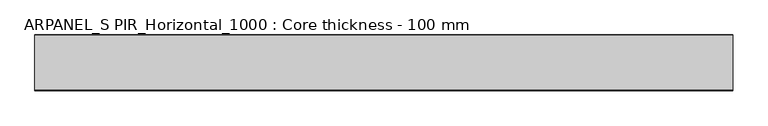
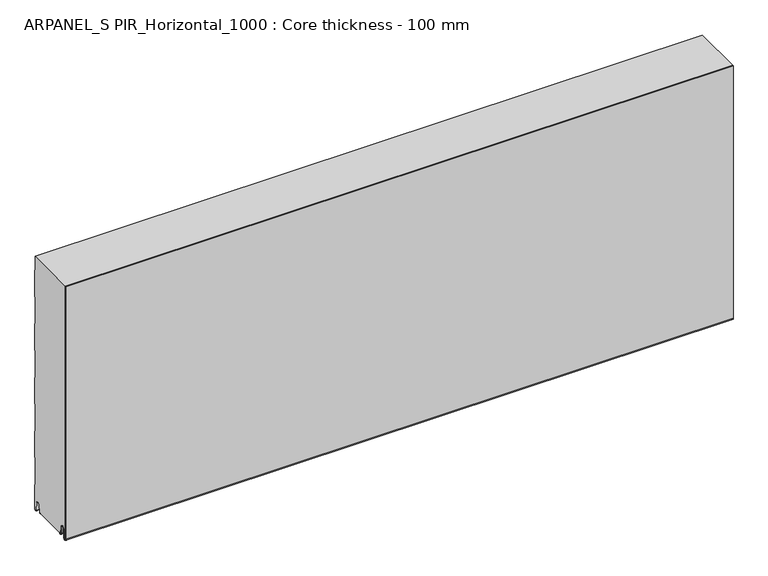
"""IFC4 building model written with IfcOpenShell, lengths in millimetres: plate geometry, ARPANEL_S PIR_Horizontal_1000 : Core thickness - 100 mm."""

from ifc_helpers import new_model, si_unit, frame, origin, place, context, project, spatial, polyline, circle_curve, source, transform, mapped, element, save
from ifc_brep_helpers import plane_surface, cylinder_surface, revolved_surface, advanced_brep


def arpanel_s_pir_horizontal_1000_core_thickness_100_mm_990e5986(model_context):
    return source(origin(), model_context, "Body", "AdvancedBrep", [
        advanced_brep(
        [(620.0, -99.9996949, 3.0900682), (620.0, -93.81449, 2.7875612), (620.0, -92.197116, 19.2828169), (620.0, -89.1776715, 21.9898782), (620.0, -86.1582271, 19.2828169), (620.0, -84.7725998, 5.1510966), (620.0, -80.3830995, 5.365779), (620.0, -81.1830995, 5.365779), (620.0, -83.9764178, 5.2291629), (620.0, -85.3620451, 19.3608832), (620.0, -89.1776715, 22.7899182), (620.0, -92.9932979, 19.3608832), (620.0, -94.6106719, 2.8656275), (620.0, -99.1996949, 3.0900682), (620.0, -99.2, 500.0), (620.0, -99.9996949, 500.0), (-620.0, -99.1996949, 3.0900682), (-620.0, -94.6106719, 2.8656275), (-620.0, -92.9932979, 19.3608832), (-620.0, -89.1776715, 22.7899182), (-620.0, -85.3620451, 19.3608832), (-620.0, -83.9764178, 5.2291629), (-620.0, -81.1830995, 5.365779), (-620.0, -80.3830995, 5.365779), (-620.0, -84.7725998, 5.1510966), (-620.0, -86.1582271, 19.2828169), (-620.0, -89.1776715, 21.9898782), (-620.0, -92.197116, 19.2828169), (-620.0, -93.81449, 2.7875612), (-620.0, -99.9996949, 3.0900682), (-620.0, -99.9996949, 500.0), (-620.0, -99.2, 500.0)],
        [
            (0, 1, circle_curve(frame((620.0, -96.8996949, 3.0900682), z_axis=(1.0, 0.0, 0.0), x_axis=(0.0, 0.0, -1.0)), 3.1)),
            (1, 2),
            (2, 3, circle_curve(frame((620.0, -89.2114338, 18.9900682), z_axis=(-1.0, 0.0, 0.0), x_axis=(0.0, 0.0, -1.0)), 3.0)),
            (3, 4, circle_curve(frame((620.0, -89.1439093, 18.9900682), z_axis=(-1.0, 0.0, 0.0), x_axis=(0.0, 0.0, -1.0)), 3.0)),
            (4, 5),
            (5, 6, circle_curve(frame((620.0, -82.5830995, 5.365779), z_axis=(1.0, 0.0, 0.0), x_axis=(0.0, 0.0, -1.0)), 2.2)),
            (6, 7),
            (7, 8, circle_curve(frame((620.0, -82.5830995, 5.365779), z_axis=(-1.0, 0.0, 0.0), x_axis=(0.0, 0.0, -1.0)), 1.4)),
            (8, 9),
            (9, 10, circle_curve(frame((620.0, -89.1439093, 18.9900682), z_axis=(1.0, 0.0, 0.0), x_axis=(0.0, 0.0, -1.0)), 3.8)),
            (10, 11, circle_curve(frame((620.0, -89.2114338, 18.9900682), z_axis=(1.0, 0.0, 0.0), x_axis=(0.0, 0.0, -1.0)), 3.8)),
            (11, 12),
            (12, 13, circle_curve(frame((620.0, -96.8996949, 3.0900682), z_axis=(-1.0, 0.0, 0.0), x_axis=(0.0, 0.0, -1.0)), 2.3)),
            (13, 14),
            (14, 15),
            (15, 0),
            (16, 17, circle_curve(frame((-620.0, -96.8996949, 3.0900682), z_axis=(1.0, 0.0, 0.0), x_axis=(0.0, 0.0, -1.0)), 2.3)),
            (17, 18),
            (18, 19, circle_curve(frame((-620.0, -89.2114338, 18.9900682), z_axis=(-1.0, 0.0, 0.0), x_axis=(0.0, 0.0, -1.0)), 3.8)),
            (19, 20, circle_curve(frame((-620.0, -89.1439093, 18.9900682), z_axis=(-1.0, 0.0, 0.0), x_axis=(0.0, 0.0, -1.0)), 3.8)),
            (20, 21),
            (21, 22, circle_curve(frame((-620.0, -82.5830995, 5.365779), z_axis=(1.0, 0.0, 0.0), x_axis=(0.0, 0.0, -1.0)), 1.4)),
            (22, 23),
            (23, 24, circle_curve(frame((-620.0, -82.5830995, 5.365779), z_axis=(-1.0, 0.0, 0.0), x_axis=(0.0, 0.0, -1.0)), 2.2)),
            (24, 25),
            (25, 26, circle_curve(frame((-620.0, -89.1439093, 18.9900682), z_axis=(1.0, 0.0, 0.0), x_axis=(0.0, 0.0, -1.0)), 3.0)),
            (26, 27, circle_curve(frame((-620.0, -89.2114338, 18.9900682), z_axis=(1.0, 0.0, 0.0), x_axis=(0.0, 0.0, -1.0)), 3.0)),
            (27, 28),
            (28, 29, circle_curve(frame((-620.0, -96.8996949, 3.0900682), z_axis=(-1.0, 0.0, 0.0), x_axis=(0.0, 0.0, -1.0)), 3.1)),
            (29, 30),
            (30, 31),
            (31, 16),
            (13, 16),
            (31, 14),
            (12, 17),
            (11, 18),
            (10, 19),
            (9, 20),
            (8, 21),
            (7, 22),
            (6, 23),
            (5, 24),
            (4, 25),
            (3, 26),
            (2, 27),
            (1, 28),
            (0, 29),
            (15, 30),
        ],
        [
            plane_surface(frame((620.0, -100.0, 0.0), z_axis=(1.0, 0.0, 0.0), x_axis=(0.0, 1.0, 0.0))),
            plane_surface(frame((-620.0, -100.0, 0.0), z_axis=(-1.0, 0.0, 0.0), x_axis=(0.0, 1.0, 0.0))),
            plane_surface(frame((620.0, -99.2, 3.0900682), z_axis=(0.0, 1.0, 0.0), x_axis=(-1.0, 0.0, 0.0))),
            revolved_surface(polyline([(-620.0, -96.8996949, 0.7900682000000003), (620.0, -96.8996949, 0.7900682000000003)]), (620.0, -96.8996949, 3.0900682), (-1.0, 0.0, 0.0)),
            plane_surface(frame((620.0, -92.9932979, 19.3608832), z_axis=(0.0, -0.9952273999818314, 0.09758289975914787), x_axis=(-1.0, 0.0, 0.0))),
            cylinder_surface(frame((620.0, -89.2114338, 18.9900682), z_axis=(1.0, 0.0, 0.0), x_axis=(0.0, 0.0, -1.0)), 3.8),
            cylinder_surface(frame((620.0, -89.1439093, 18.9900682), z_axis=(1.0, 0.0, 0.0), x_axis=(0.0, 0.0, -1.0)), 3.8),
            plane_surface(frame((620.0, -83.9764178, 5.2291629), z_axis=(0.0, 0.9952273999818297, 0.09758289975916531), x_axis=(-1.0, 0.0, 0.0))),
            revolved_surface(polyline([(-620.0, -82.5830995, 3.965779), (620.0, -82.5830995, 3.965779)]), (620.0, -82.5830995, 5.365779), (-1.0, 0.0, 0.0)),
            plane_surface(frame((620.0, -80.3830995, 5.365779), z_axis=(0.0, 0.0, 1.0), x_axis=(-1.0, 0.0, 0.0))),
            cylinder_surface(frame((620.0, -82.5830995, 5.365779), z_axis=(1.0, 0.0, 0.0), x_axis=(0.0, 0.0, -1.0)), 2.2),
            plane_surface(frame((620.0, -86.1582271, 19.2828169), z_axis=(0.0, -0.9952273999818296, -0.09758289975916527), x_axis=(-1.0, 0.0, 0.0))),
            revolved_surface(polyline([(-620.0, -89.1439093, 15.9900682), (620.0, -89.1439093, 15.9900682)]), (620.0, -89.1439093, 18.9900682), (-1.0, 0.0, 0.0)),
            revolved_surface(polyline([(-620.0, -89.2114338, 15.9900682), (620.0, -89.2114338, 15.9900682)]), (620.0, -89.2114338, 18.9900682), (-1.0, 0.0, 0.0)),
            plane_surface(frame((620.0, -93.81449, 2.7875612), z_axis=(0.0, 0.9952273999818314, -0.09758289975914787), x_axis=(-1.0, 0.0, 0.0))),
            cylinder_surface(frame((620.0, -96.8996949, 3.0900682), z_axis=(1.0, 0.0, 0.0), x_axis=(0.0, 0.0, -1.0)), 3.1),
            plane_surface(frame((620.0, -99.9996949, 993.9000005), z_axis=(0.0, -1.0, 0.0), x_axis=(-1.0, 0.0, 0.0))),
            plane_surface(frame((-620.0, 134.0533409, 500.0), z_axis=(0.0, 0.0, 1.0), x_axis=(1.0, 0.0, 0.0))),
        ],
        [
            (0, [[1, 2, 3, 4, 5, 6, 7, 8, 9, 10, 11, 12, 13, 14, 15, 16]]),
            (1, [[17, 18, 19, 20, 21, 22, 23, 24, 25, 26, 27, 28, 29, 30, 31, 32]]),
            (2, [[33, -32, 34, -14]]),
            (3, [[-13, 35, -17, -33]]),
            (4, [[-12, 36, -18, -35]]),
            (5, [[-11, 37, -19, -36]]),
            (6, [[-10, 38, -20, -37]]),
            (7, [[-9, 39, -21, -38]]),
            (8, [[-8, 40, -22, -39]]),
            (9, [[-7, 41, -23, -40]]),
            (10, [[-6, 42, -24, -41]]),
            (11, [[-5, 43, -25, -42]]),
            (12, [[-4, 44, -26, -43]]),
            (13, [[-3, 45, -27, -44]]),
            (14, [[-2, 46, -28, -45]]),
            (15, [[-1, 47, -29, -46]]),
            (16, [[-47, -16, 48, -30]]),
            (17, [[-15, -34, -31, -48]]),
        ],
    ),
        advanced_brep(
        [(620.0, -19.3897461, 4.3921875), (620.0, -19.6169005, 5.365779), (620.0, -18.8169005, 5.365779), (620.0, -16.0235822, 5.2291629), (620.0, -14.6379549, 19.3608832), (620.0, -10.8223285, 22.7899182), (620.0, -7.0067021, 19.3608832), (620.0, -5.3893281, 2.8656275), (620.0, -0.8003051, 3.0900682), (620.0, -0.8, 49.9459237), (620.0, -1.0986697, 50.9973395), (620.0, -1.5003051, 52.4177205), (620.0, -1.5003051, 102.5775037), (620.0, -1.0971009, 103.9969151), (620.0, -0.8, 105.0493005), (620.0, -0.8, 155.2090837), (620.0, -1.0986697, 156.2604995), (620.0, -1.5003051, 157.6808805), (620.0, -1.5003051, 207.8406637), (620.0, -1.0971009, 209.2600751), (620.0, -0.8, 210.3124605), (620.0, -0.8, 260.4722437), (620.0, -1.0986697, 261.5236595), (620.0, -1.5003051, 262.9440405), (620.0, -1.5003051, 313.1038237), (620.0, -1.0971009, 314.5232351), (620.0, -0.8, 315.5756205), (620.0, -0.8, 365.7354037), (620.0, -1.0986697, 366.7868195), (620.0, -1.5003051, 368.2072005), (620.0, -1.5003051, 418.3669837), (620.0, -1.0971009, 419.7863951), (620.0, -0.8, 420.8387805), (620.0, -0.8, 470.9985637), (620.0, -1.0986697, 472.0499795), (620.0, -1.5003051, 473.4703605), (620.0, -1.5003051, 500.0), (620.0, -99.2, 500.0), (620.0, -99.2, 3.0900682), (620.0, -94.6106719, 2.8656275), (620.0, -92.9932979, 19.3608832), (620.0, -89.1776715, 22.7899182), (620.0, -85.3620451, 19.3608832), (620.0, -83.9764178, 5.2291629), (620.0, -81.1830995, 5.365779), (620.0, -80.3830995, 5.365779), (620.0, -80.6102539, 4.3921875), (-620.0, -19.6169005, 5.365779), (-620.0, -19.3897461, 4.3921875), (-620.0, -80.6102539, 4.3921875), (-620.0, -80.3830995, 5.365779), (-620.0, -81.1830995, 5.365779), (-620.0, -81.5446132, 4.4268721), (-620.0, -83.9764178, 5.2291629), (-620.0, -85.3620451, 19.3608832), (-620.0, -89.1776715, 22.7899182), (-620.0, -92.9932979, 19.3608832), (-620.0, -94.6106719, 2.8656275), (-620.0, -99.1996949, 3.0900682), (-620.0, -99.2, 500.0), (-620.0, -1.5003051, 500.0), (-620.0, -1.5003051, 473.4703605), (-620.0, -1.0971009, 472.0509491), (-620.0, -0.8, 470.9985637), (-620.0, -0.8, 420.8387805), (-620.0, -1.0986697, 419.7873646), (-620.0, -1.5003051, 418.3669837), (-620.0, -1.5003051, 368.2072005), (-620.0, -1.0971009, 366.7877891), (-620.0, -0.8, 365.7354037), (-620.0, -0.8, 315.5756205), (-620.0, -1.0986697, 314.5242046), (-620.0, -1.5003051, 313.1038237), (-620.0, -1.5003051, 262.9440405), (-620.0, -1.0971009, 261.5246291), (-620.0, -0.8, 260.4722437), (-620.0, -0.8, 210.3124605), (-620.0, -1.0986697, 209.2610446), (-620.0, -1.5003051, 207.8406637), (-620.0, -1.5003051, 157.6808805), (-620.0, -1.0971009, 156.2614691), (-620.0, -0.8, 155.2090837), (-620.0, -0.8, 105.0493005), (-620.0, -1.0986697, 103.9978846), (-620.0, -1.5003051, 102.5775037), (-620.0, -1.5003051, 52.4177205), (-620.0, -1.0971009, 50.9983091), (-620.0, -0.8, 49.9459237), (-620.0, -0.8, 3.0900682), (-620.0, -5.3893281, 2.8656275), (-620.0, -7.0067021, 19.3608832), (-620.0, -10.8223285, 22.7899182), (-620.0, -14.6379549, 19.3608832), (-620.0, -16.0235822, 5.2291629), (-620.0, -18.4553868, 4.4268721), (-620.0, -18.8169005, 5.365779)],
        [
            (0, 1, circle_curve(frame((620.0, -17.4169005, 5.365779), z_axis=(-1.0, 0.0, 0.0), x_axis=(0.0, 0.0, -1.0)), 2.2)),
            (1, 2),
            (2, 3, circle_curve(frame((620.0, -17.4169005, 5.365779), z_axis=(1.0, 0.0, 0.0), x_axis=(0.0, 0.0, -1.0)), 1.4)),
            (3, 4),
            (4, 5, circle_curve(frame((620.0, -10.8560907, 18.9900682), z_axis=(-1.0, 0.0, 0.0), x_axis=(0.0, 0.0, -1.0)), 3.8)),
            (5, 6, circle_curve(frame((620.0, -10.7885662, 18.9900682), z_axis=(-1.0, 0.0, 0.0), x_axis=(0.0, 0.0, -1.0)), 3.8)),
            (6, 7),
            (7, 8, circle_curve(frame((620.0, -3.1003051, 3.0900682), z_axis=(1.0, 0.0, 0.0), x_axis=(0.0, 0.0, -1.0)), 2.3)),
            (8, 9),
            (9, 10, circle_curve(frame((620.0, -2.8, 49.9459237), z_axis=(1.0, 0.0, 0.0), x_axis=(0.0, 0.0, -1.0)), 2.0)),
            (10, 11, circle_curve(frame((620.0, 1.1996949, 52.4177205), z_axis=(-1.0, 0.0, 0.0), x_axis=(0.0, 0.0, -1.0)), 2.7)),
            (11, 12),
            (12, 13, circle_curve(frame((620.0, 1.1996949, 102.5775037), z_axis=(-1.0, 0.0, 0.0), x_axis=(0.0, 0.0, -1.0)), 2.7)),
            (13, 14, circle_curve(frame((620.0, -2.8, 105.0493005), z_axis=(1.0, 0.0, 0.0), x_axis=(0.0, 0.0, -1.0)), 2.0)),
            (14, 15),
            (15, 16, circle_curve(frame((620.0, -2.8, 155.2090837), z_axis=(1.0, 0.0, 0.0), x_axis=(0.0, 0.0, -1.0)), 2.0)),
            (16, 17, circle_curve(frame((620.0, 1.1996949, 157.6808805), z_axis=(-1.0, 0.0, 0.0), x_axis=(0.0, 0.0, -1.0)), 2.7)),
            (17, 18),
            (18, 19, circle_curve(frame((620.0, 1.1996949, 207.8406637), z_axis=(-1.0, 0.0, 0.0), x_axis=(0.0, 0.0, -1.0)), 2.7)),
            (19, 20, circle_curve(frame((620.0, -2.8, 210.3124605), z_axis=(1.0, 0.0, 0.0), x_axis=(0.0, 0.0, -1.0)), 2.0)),
            (20, 21),
            (21, 22, circle_curve(frame((620.0, -2.8, 260.4722437), z_axis=(1.0, 0.0, 0.0), x_axis=(0.0, 0.0, -1.0)), 2.0)),
            (22, 23, circle_curve(frame((620.0, 1.1996949, 262.9440405), z_axis=(-1.0, 0.0, 0.0), x_axis=(0.0, 0.0, -1.0)), 2.7)),
            (23, 24),
            (24, 25, circle_curve(frame((620.0, 1.1996949, 313.1038237), z_axis=(-1.0, 0.0, 0.0), x_axis=(0.0, 0.0, -1.0)), 2.7)),
            (25, 26, circle_curve(frame((620.0, -2.8, 315.5756205), z_axis=(1.0, 0.0, 0.0), x_axis=(0.0, 0.0, -1.0)), 2.0)),
            (26, 27),
            (27, 28, circle_curve(frame((620.0, -2.8, 365.7354037), z_axis=(1.0, 0.0, 0.0), x_axis=(0.0, 0.0, -1.0)), 2.0)),
            (28, 29, circle_curve(frame((620.0, 1.1996949, 368.2072005), z_axis=(-1.0, 0.0, 0.0), x_axis=(0.0, 0.0, -1.0)), 2.7)),
            (29, 30),
            (30, 31, circle_curve(frame((620.0, 1.1996949, 418.3669837), z_axis=(-1.0, 0.0, 0.0), x_axis=(0.0, 0.0, -1.0)), 2.7)),
            (31, 32, circle_curve(frame((620.0, -2.8, 420.8387805), z_axis=(1.0, 0.0, 0.0), x_axis=(0.0, 0.0, -1.0)), 2.0)),
            (32, 33),
            (33, 34, circle_curve(frame((620.0, -2.8, 470.9985637), z_axis=(1.0, 0.0, 0.0), x_axis=(0.0, 0.0, -1.0)), 2.0)),
            (34, 35, circle_curve(frame((620.0, 1.1996949, 473.4703605), z_axis=(-1.0, 0.0, 0.0), x_axis=(0.0, 0.0, -1.0)), 2.7)),
            (35, 36),
            (36, 37),
            (37, 38),
            (38, 39, circle_curve(frame((620.0, -96.8996949, 3.0900682), z_axis=(1.0, 0.0, 0.0), x_axis=(0.0, 0.0, -1.0)), 2.3)),
            (39, 40),
            (40, 41, circle_curve(frame((620.0, -89.2114338, 18.9900682), z_axis=(-1.0, 0.0, 0.0), x_axis=(0.0, 0.0, -1.0)), 3.8)),
            (41, 42, circle_curve(frame((620.0, -89.1439093, 18.9900682), z_axis=(-1.0, 0.0, 0.0), x_axis=(0.0, 0.0, -1.0)), 3.8)),
            (42, 43),
            (43, 44, circle_curve(frame((620.0, -82.5830995, 5.365779), z_axis=(1.0, 0.0, 0.0), x_axis=(0.0, 0.0, -1.0)), 1.4)),
            (44, 45),
            (45, 46, circle_curve(frame((620.0, -82.5830995, 5.365779), z_axis=(-1.0, 0.0, 0.0), x_axis=(0.0, 0.0, -1.0)), 2.2)),
            (46, 0),
            (47, 48, circle_curve(frame((-620.0, -17.4169005, 5.365779), z_axis=(1.0, 0.0, 0.0), x_axis=(0.0, 0.0, -1.0)), 2.2)),
            (48, 49),
            (49, 50, circle_curve(frame((-620.0, -82.5830995, 5.365779), z_axis=(1.0, 0.0, 0.0), x_axis=(0.0, 0.0, -1.0)), 2.2)),
            (50, 51),
            (51, 52, circle_curve(frame((-620.0, -82.5830995, 5.365779), z_axis=(-1.0, 0.0, 0.0), x_axis=(0.0, 0.0, -1.0)), 1.4)),
            (52, 53, circle_curve(frame((-620.0, -82.5830995, 5.365779), z_axis=(-1.0, 0.0, 0.0), x_axis=(0.0, 0.0, -1.0)), 1.4)),
            (53, 54),
            (54, 55, circle_curve(frame((-620.0, -89.1439093, 18.9900682), z_axis=(1.0, 0.0, 0.0), x_axis=(0.0, 0.0, -1.0)), 3.8)),
            (55, 56, circle_curve(frame((-620.0, -89.2114338, 18.9900682), z_axis=(1.0, 0.0, 0.0), x_axis=(0.0, 0.0, -1.0)), 3.8)),
            (56, 57),
            (57, 58, circle_curve(frame((-620.0, -96.8996949, 3.0900682), z_axis=(-1.0, 0.0, 0.0), x_axis=(0.0, 0.0, -1.0)), 2.3)),
            (58, 59),
            (59, 60),
            (60, 61),
            (61, 62, circle_curve(frame((-620.0, 1.1996949, 473.4703605), z_axis=(1.0, 0.0, 0.0), x_axis=(0.0, 0.0, -1.0)), 2.7)),
            (62, 63, circle_curve(frame((-620.0, -2.8, 470.9985637), z_axis=(-1.0, 0.0, 0.0), x_axis=(0.0, 0.0, -1.0)), 2.0)),
            (63, 64),
            (64, 65, circle_curve(frame((-620.0, -2.8, 420.8387805), z_axis=(-1.0, 0.0, 0.0), x_axis=(0.0, 0.0, -1.0)), 2.0)),
            (65, 66, circle_curve(frame((-620.0, 1.1996949, 418.3669837), z_axis=(1.0, 0.0, 0.0), x_axis=(0.0, 0.0, -1.0)), 2.7)),
            (66, 67),
            (67, 68, circle_curve(frame((-620.0, 1.1996949, 368.2072005), z_axis=(1.0, 0.0, 0.0), x_axis=(0.0, 0.0, -1.0)), 2.7)),
            (68, 69, circle_curve(frame((-620.0, -2.8, 365.7354037), z_axis=(-1.0, 0.0, 0.0), x_axis=(0.0, 0.0, -1.0)), 2.0)),
            (69, 70),
            (70, 71, circle_curve(frame((-620.0, -2.8, 315.5756205), z_axis=(-1.0, 0.0, 0.0), x_axis=(0.0, 0.0, -1.0)), 2.0)),
            (71, 72, circle_curve(frame((-620.0, 1.1996949, 313.1038237), z_axis=(1.0, 0.0, 0.0), x_axis=(0.0, 0.0, -1.0)), 2.7)),
            (72, 73),
            (73, 74, circle_curve(frame((-620.0, 1.1996949, 262.9440405), z_axis=(1.0, 0.0, 0.0), x_axis=(0.0, 0.0, -1.0)), 2.7)),
            (74, 75, circle_curve(frame((-620.0, -2.8, 260.4722437), z_axis=(-1.0, 0.0, 0.0), x_axis=(0.0, 0.0, -1.0)), 2.0)),
            (75, 76),
            (76, 77, circle_curve(frame((-620.0, -2.8, 210.3124605), z_axis=(-1.0, 0.0, 0.0), x_axis=(0.0, 0.0, -1.0)), 2.0)),
            (77, 78, circle_curve(frame((-620.0, 1.1996949, 207.8406637), z_axis=(1.0, 0.0, 0.0), x_axis=(0.0, 0.0, -1.0)), 2.7)),
            (78, 79),
            (79, 80, circle_curve(frame((-620.0, 1.1996949, 157.6808805), z_axis=(1.0, 0.0, 0.0), x_axis=(0.0, 0.0, -1.0)), 2.7)),
            (80, 81, circle_curve(frame((-620.0, -2.8, 155.2090837), z_axis=(-1.0, 0.0, 0.0), x_axis=(0.0, 0.0, -1.0)), 2.0)),
            (81, 82),
            (82, 83, circle_curve(frame((-620.0, -2.8, 105.0493005), z_axis=(-1.0, 0.0, 0.0), x_axis=(0.0, 0.0, -1.0)), 2.0)),
            (83, 84, circle_curve(frame((-620.0, 1.1996949, 102.5775037), z_axis=(1.0, 0.0, 0.0), x_axis=(0.0, 0.0, -1.0)), 2.7)),
            (84, 85),
            (85, 86, circle_curve(frame((-620.0, 1.1996949, 52.4177205), z_axis=(1.0, 0.0, 0.0), x_axis=(0.0, 0.0, -1.0)), 2.7)),
            (86, 87, circle_curve(frame((-620.0, -2.8, 49.9459237), z_axis=(-1.0, 0.0, 0.0), x_axis=(0.0, 0.0, -1.0)), 2.0)),
            (87, 88),
            (88, 89, circle_curve(frame((-620.0, -3.1003051, 3.0900682), z_axis=(-1.0, 0.0, 0.0), x_axis=(0.0, 0.0, -1.0)), 2.3)),
            (89, 90),
            (90, 91, circle_curve(frame((-620.0, -10.7885662, 18.9900682), z_axis=(1.0, 0.0, 0.0), x_axis=(0.0, 0.0, -1.0)), 3.8)),
            (91, 92, circle_curve(frame((-620.0, -10.8560907, 18.9900682), z_axis=(1.0, 0.0, 0.0), x_axis=(0.0, 0.0, -1.0)), 3.8)),
            (92, 93),
            (93, 94, circle_curve(frame((-620.0, -17.4169005, 5.365779), z_axis=(-1.0, 0.0, 0.0), x_axis=(0.0, 0.0, -1.0)), 1.4)),
            (94, 95, circle_curve(frame((-620.0, -17.4169005, 5.365779), z_axis=(-1.0, 0.0, 0.0), x_axis=(0.0, 0.0, -1.0)), 1.4)),
            (95, 47),
            (47, 1),
            (0, 48),
            (95, 2),
            (93, 3),
            (92, 4),
            (91, 5),
            (90, 6),
            (89, 7),
            (88, 8),
            (87, 9),
            (86, 10),
            (85, 11),
            (84, 12),
            (83, 13),
            (82, 14),
            (81, 15),
            (80, 16),
            (79, 17),
            (78, 18),
            (77, 19),
            (76, 20),
            (75, 21),
            (74, 22),
            (73, 23),
            (72, 24),
            (71, 25),
            (70, 26),
            (69, 27),
            (68, 28),
            (67, 29),
            (66, 30),
            (65, 31),
            (64, 32),
            (63, 33),
            (62, 34),
            (61, 35),
            (60, 36),
            (58, 38),
            (37, 59),
            (57, 39),
            (56, 40),
            (55, 41),
            (54, 42),
            (53, 43),
            (51, 44),
            (50, 45),
            (49, 46),
        ],
        [
            plane_surface(frame((620.0, 0.0, 0.0), z_axis=(1.0, 0.0, 0.0), x_axis=(0.0, -1.0, 0.0))),
            plane_surface(frame((-620.0, 0.0, 0.0), z_axis=(-1.0, 0.0, 0.0), x_axis=(0.0, -1.0, 0.0))),
            revolved_surface(polyline([(620.0, -17.4169005, 3.1657789999999997), (-620.0, -17.4169005, 3.1657789999999997)]), (750.0, -17.4169005, 5.365779), (1.0, 0.0, 0.0)),
            plane_surface(frame((750.0, -18.8169005, 5.365779), z_axis=(0.0, 0.0, -1.0), x_axis=(-1.0, 0.0, 0.0))),
            cylinder_surface(frame((750.0, -17.4169005, 5.365779), z_axis=(-1.0, 0.0, 0.0), x_axis=(0.0, 0.0, -1.0)), 1.4),
            plane_surface(frame((750.0, -14.6379549, 19.3608832), z_axis=(0.0, 0.9952273999818297, -0.09758289975916531), x_axis=(-1.0, 0.0, 0.0))),
            revolved_surface(polyline([(620.0, -10.8560907, 15.190068199999999), (-620.0, -10.8560907, 15.190068199999999)]), (750.0, -10.8560907, 18.9900682), (1.0, 0.0, 0.0)),
            revolved_surface(polyline([(620.0, -10.7885662, 15.190068199999999), (-620.0, -10.7885662, 15.190068199999999)]), (750.0, -10.7885662, 18.9900682), (1.0, 0.0, 0.0)),
            plane_surface(frame((750.0, -5.3893281, 2.8656275), z_axis=(0.0, -0.9952273999818314, -0.09758289975914787), x_axis=(-1.0, 0.0, 0.0))),
            cylinder_surface(frame((750.0, -3.1003051, 3.0900682), z_axis=(-1.0, 0.0, 0.0), x_axis=(0.0, 0.0, -1.0)), 2.3),
            plane_surface(frame((750.0, -0.8, 49.9459237), z_axis=(0.0, 1.0, 0.0), x_axis=(-1.0, 0.0, 0.0))),
            cylinder_surface(frame((750.0, -2.8, 49.9459237), z_axis=(-1.0, 0.0, 0.0), x_axis=(0.0, 0.0, -1.0)), 2.0),
            revolved_surface(polyline([(620.0, 1.1996949, 49.7177205), (-620.0, 1.1996949, 49.7177205)]), (750.0, 1.1996949, 52.4177205), (1.0, 0.0, 0.0)),
            plane_surface(frame((750.0, -1.5003051, 102.5775037), z_axis=(0.0, 1.0, 0.0), x_axis=(-1.0, 0.0, 0.0))),
            revolved_surface(polyline([(620.0, 1.1996949, 99.87750369999999), (-620.0, 1.1996949, 99.87750369999999)]), (750.0, 1.1996949, 102.5775037), (1.0, 0.0, 0.0)),
            cylinder_surface(frame((750.0, -2.8, 105.0493005), z_axis=(-1.0, 0.0, 0.0), x_axis=(0.0, 0.0, -1.0)), 2.0),
            plane_surface(frame((750.0, -0.8, 155.2090837), z_axis=(0.0, 1.0, 0.0), x_axis=(-1.0, 0.0, 0.0))),
            cylinder_surface(frame((750.0, -2.8, 155.2090837), z_axis=(-1.0, 0.0, 0.0), x_axis=(0.0, 0.0, -1.0)), 2.0),
            revolved_surface(polyline([(620.0, 1.1996949, 154.9808805), (-620.0, 1.1996949, 154.9808805)]), (750.0, 1.1996949, 157.6808805), (1.0, 0.0, 0.0)),
            plane_surface(frame((750.0, -1.5003051, 207.8406637), z_axis=(0.0, 1.0, 0.0), x_axis=(-1.0, 0.0, 0.0))),
            revolved_surface(polyline([(620.0, 1.1996949, 205.1406637), (-620.0, 1.1996949, 205.1406637)]), (750.0, 1.1996949, 207.8406637), (1.0, 0.0, 0.0)),
            cylinder_surface(frame((750.0, -2.8, 210.3124605), z_axis=(-1.0, 0.0, 0.0), x_axis=(0.0, 0.0, -1.0)), 2.0),
            plane_surface(frame((750.0, -0.8, 260.4722437), z_axis=(0.0, 1.0, 0.0), x_axis=(-1.0, 0.0, 0.0))),
            cylinder_surface(frame((750.0, -2.8, 260.4722437), z_axis=(-1.0, 0.0, 0.0), x_axis=(0.0, 0.0, -1.0)), 2.0),
            revolved_surface(polyline([(620.0, 1.1996949, 260.24404050000004), (-620.0, 1.1996949, 260.24404050000004)]), (750.0, 1.1996949, 262.9440405), (1.0, 0.0, 0.0)),
            plane_surface(frame((750.0, -1.5003051, 313.1038237), z_axis=(0.0, 1.0, 0.0), x_axis=(-1.0, 0.0, 0.0))),
            revolved_surface(polyline([(620.0, 1.1996949, 310.40382370000003), (-620.0, 1.1996949, 310.40382370000003)]), (750.0, 1.1996949, 313.1038237), (1.0, 0.0, 0.0)),
            cylinder_surface(frame((750.0, -2.8, 315.5756205), z_axis=(-1.0, 0.0, 0.0), x_axis=(0.0, 0.0, -1.0)), 2.0),
            plane_surface(frame((750.0, -0.8, 365.7354037), z_axis=(0.0, 1.0, 0.0), x_axis=(-1.0, 0.0, 0.0))),
            cylinder_surface(frame((750.0, -2.8, 365.7354037), z_axis=(-1.0, 0.0, 0.0), x_axis=(0.0, 0.0, -1.0)), 2.0),
            revolved_surface(polyline([(620.0, 1.1996949, 365.5072005), (-620.0, 1.1996949, 365.5072005)]), (750.0, 1.1996949, 368.2072005), (1.0, 0.0, 0.0)),
            plane_surface(frame((750.0, -1.5003051, 418.3669837), z_axis=(0.0, 1.0, 0.0), x_axis=(-1.0, 0.0, 0.0))),
            revolved_surface(polyline([(620.0, 1.1996949, 415.6669837), (-620.0, 1.1996949, 415.6669837)]), (750.0, 1.1996949, 418.3669837), (1.0, 0.0, 0.0)),
            cylinder_surface(frame((750.0, -2.8, 420.8387805), z_axis=(-1.0, 0.0, 0.0), x_axis=(0.0, 0.0, -1.0)), 2.0),
            plane_surface(frame((750.0, -0.8, 470.9985637), z_axis=(0.0, 1.0, 0.0), x_axis=(-1.0, 0.0, 0.0))),
            cylinder_surface(frame((750.0, -2.8, 470.9985637), z_axis=(-1.0, 0.0, 0.0), x_axis=(0.0, 0.0, -1.0)), 2.0),
            revolved_surface(polyline([(620.0, 1.1996949, 470.77036050000004), (-620.0, 1.1996949, 470.77036050000004)]), (750.0, 1.1996949, 473.4703605), (1.0, 0.0, 0.0)),
            plane_surface(frame((750.0, -1.5003051, 523.6301437), z_axis=(0.0, 1.0, 0.0), x_axis=(-1.0, 0.0, 0.0))),
            plane_surface(frame((750.0, -99.2, 3.0900682), z_axis=(0.0, -1.0, 0.0), x_axis=(-1.0, 0.0, 0.0))),
            cylinder_surface(frame((750.0, -96.8996949, 3.0900682), z_axis=(-1.0, 0.0, 0.0), x_axis=(0.0, 0.0, -1.0)), 2.3),
            plane_surface(frame((750.0, -92.9932979, 19.3608832), z_axis=(0.0, 0.9952273999818314, -0.09758289975914787), x_axis=(-1.0, 0.0, 0.0))),
            revolved_surface(polyline([(620.0, -89.2114338, 15.190068199999999), (-620.0, -89.2114338, 15.190068199999999)]), (750.0, -89.2114338, 18.9900682), (1.0, 0.0, 0.0)),
            revolved_surface(polyline([(620.0, -89.1439093, 15.190068199999999), (-620.0, -89.1439093, 15.190068199999999)]), (750.0, -89.1439093, 18.9900682), (1.0, 0.0, 0.0)),
            plane_surface(frame((750.0, -83.9764178, 5.2291629), z_axis=(0.0, -0.9952273999818297, -0.09758289975916531), x_axis=(-1.0, 0.0, 0.0))),
            cylinder_surface(frame((750.0, -82.5830995, 5.365779), z_axis=(-1.0, 0.0, 0.0), x_axis=(0.0, 0.0, -1.0)), 1.4),
            plane_surface(frame((750.0, -80.3830995, 5.365779), z_axis=(0.0, 0.0, -1.0), x_axis=(-1.0, 0.0, 0.0))),
            revolved_surface(polyline([(620.0, -82.5830995, 3.1657789999999997), (-620.0, -82.5830995, 3.1657789999999997)]), (750.0, -82.5830995, 5.365779), (1.0, 0.0, 0.0)),
            plane_surface(frame((620.0, -81.50625, 4.3921875), z_axis=(0.0, 0.0, -1.0), x_axis=(-1.0, 0.0, 0.0))),
            plane_surface(frame((-620.0, 134.0533409, 500.0), z_axis=(0.0, 0.0, 1.0), x_axis=(1.0, 0.0, 0.0))),
        ],
        [
            (0, [[1, 2, 3, 4, 5, 6, 7, 8, 9, 10, 11, 12, 13, 14, 15, 16, 17, 18, 19, 20, 21, 22, 23, 24, 25, 26, 27, 28, 29, 30, 31, 32, 33, 34, 35, 36, 37, 38, 39, 40, 41, 42, 43, 44, 45, 46, 47]]),
            (1, [[48, 49, 50, 51, 52, 53, 54, 55, 56, 57, 58, 59, 60, 61, 62, 63, 64, 65, 66, 67, 68, 69, 70, 71, 72, 73, 74, 75, 76, 77, 78, 79, 80, 81, 82, 83, 84, 85, 86, 87, 88, 89, 90, 91, 92, 93, 94, 95, 96]]),
            (2, [[97, -1, 98, -48]]),
            (3, [[-97, -96, 99, -2]]),
            (4, [[-99, -95, -94, 100, -3]]),
            (5, [[-100, -93, 101, -4]]),
            (6, [[-101, -92, 102, -5]]),
            (7, [[-102, -91, 103, -6]]),
            (8, [[-103, -90, 104, -7]]),
            (9, [[-104, -89, 105, -8]]),
            (10, [[-105, -88, 106, -9]]),
            (11, [[-106, -87, 107, -10]]),
            (12, [[-107, -86, 108, -11]]),
            (13, [[-108, -85, 109, -12]]),
            (14, [[-109, -84, 110, -13]]),
            (15, [[-110, -83, 111, -14]]),
            (16, [[-111, -82, 112, -15]]),
            (17, [[-112, -81, 113, -16]]),
            (18, [[-113, -80, 114, -17]]),
            (19, [[-114, -79, 115, -18]]),
            (20, [[-115, -78, 116, -19]]),
            (21, [[-116, -77, 117, -20]]),
            (22, [[-117, -76, 118, -21]]),
            (23, [[-118, -75, 119, -22]]),
            (24, [[-119, -74, 120, -23]]),
            (25, [[-120, -73, 121, -24]]),
            (26, [[-121, -72, 122, -25]]),
            (27, [[-122, -71, 123, -26]]),
            (28, [[-123, -70, 124, -27]]),
            (29, [[-124, -69, 125, -28]]),
            (30, [[-125, -68, 126, -29]]),
            (31, [[-126, -67, 127, -30]]),
            (32, [[-127, -66, 128, -31]]),
            (33, [[-128, -65, 129, -32]]),
            (34, [[-129, -64, 130, -33]]),
            (35, [[-130, -63, 131, -34]]),
            (36, [[-131, -62, 132, -35]]),
            (37, [[-132, -61, 133, -36]]),
            (38, [[134, -38, 135, -59]]),
            (39, [[-134, -58, 136, -39]]),
            (40, [[-136, -57, 137, -40]]),
            (41, [[-137, -56, 138, -41]]),
            (42, [[-138, -55, 139, -42]]),
            (43, [[-139, -54, 140, -43]]),
            (44, [[-140, -53, -52, 141, -44]]),
            (45, [[-141, -51, 142, -45]]),
            (46, [[-142, -50, 143, -46]]),
            (47, [[-98, -47, -143, -49]]),
            (48, [[-133, -60, -135, -37]]),
        ],
    ),
    ])


if __name__ == "__main__":
    model = new_model("IFC4")
    model_context = context("Model", 3, world=origin())
    ifc_project = project(units=[si_unit("LENGTHUNIT", "METRE", prefix="MILLI")], contexts=[model_context])
    site = spatial("IfcSite", under=ifc_project)
    building = spatial("IfcBuilding", under=site)
    placement = place(None, origin())
    arpanel_s_pir_horizontal_1000_core_thickness_100_mm_shape = arpanel_s_pir_horizontal_1000_core_thickness_100_mm_990e5986(model_context)
    element("IfcPlate", 1, ObjectType="ARPANEL_S PIR_Horizontal_1000 : Core thickness - 100 mm", at=placement, inside=building, context=model_context, shape_type="MappedRepresentation", body=[
        mapped(arpanel_s_pir_horizontal_1000_core_thickness_100_mm_shape, transform((0.0, 0.0, 0.0), x_axis=(1.0, 0.0, 0.0), y_axis=(0.0, 1.0, 0.0), z_axis=(0.0, 0.0, 1.0))),
    ])
    save(model, "model.ifc")
